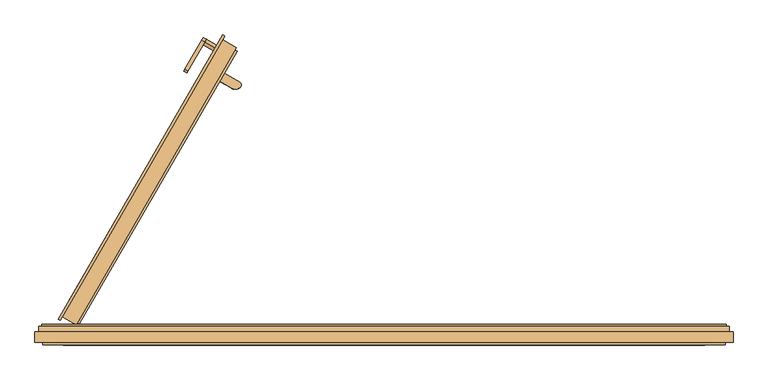
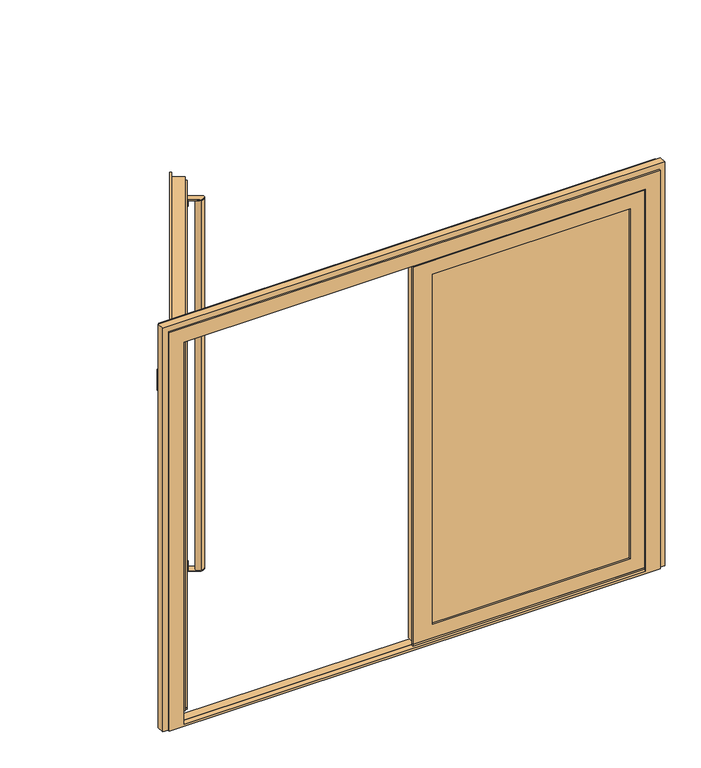
"""IFC4 building model written with IfcOpenShell, lengths in millimetres: door geometry."""

import ifcopenshell
import ifcopenshell.guid

model = None  # the IFC model being written
_history = None  # IfcOwnerHistory: only IFC2X3 demands one
_inside = {}  # id of a spatial element -> (the spatial element, [elements in it])
_under = {}  # id of a project, library or spatial element -> (it, [spatial elements below it])
_declared = {}  # id of a project -> (the project, [libraries it declares])
_typed = {}  # id of a type object -> (the type object, [elements of that type])
_made_of = {}  # id of a material, layer set ... -> (it, [elements and type objects made of it])


def new_model(schema):
    """Start an empty IFC model of exactly this schema.

    Asked for "IFC4X3", IfcOpenShell would pick the latest addendum, in which some entities
    have other attributes; the version numbers below select the first issue.
    IFC2X3 requires an IfcOwnerHistory on every rooted entity: one is made here for all.
    """
    global model, _history
    if schema == "IFC4X3":
        model = ifcopenshell.file(schema_version=(4, 3, 0, 0))
    else:
        model = ifcopenshell.file(schema=schema)
    _inside.clear()
    _under.clear()
    _declared.clear()
    _typed.clear()
    _made_of.clear()
    _history = None
    if model.schema == "IFC2X3":
        org = make("IfcOrganization", Name="unknown")
        user = make(
            "IfcPersonAndOrganization",
            ThePerson=make("IfcPerson", FamilyName="unknown"),
            TheOrganization=org,
        )
        app = make(
            "IfcApplication",
            ApplicationDeveloper=org,
            Version="unknown",
            ApplicationFullName="unknown",
            ApplicationIdentifier="unknown",
        )
        _history = make(
            "IfcOwnerHistory",
            OwningUser=user,
            OwningApplication=app,
            ChangeAction="ADDED",
            CreationDate=0,
        )
    return model


def make(cls, **values):
    """One entity of the class cls with the attributes given. An attribute that is None is left unset."""
    return model.create_entity(
        cls, **{name: value for name, value in values.items() if value is not None}
    )


def rooted(cls, **values):
    """An entity with a GlobalId (a new one), such as an element, a storey or a relation."""
    return make(cls, GlobalId=ifcopenshell.guid.new(), OwnerHistory=_history, **values)


def si_unit(unit_type, name, prefix=None):
    """IfcSIUnit, for example si_unit("LENGTHUNIT", "METRE", prefix="MILLI")."""
    return make("IfcSIUnit", UnitType=unit_type, Prefix=prefix, Name=name)


def assignment(units):
    """IfcUnitAssignment: the units of a project."""
    return None if units is None else make("IfcUnitAssignment", Units=units)


def point(xyz):
    """IfcCartesianPoint."""
    return None if xyz is None else make("IfcCartesianPoint", Coordinates=xyz)


def direction(xyz):
    """IfcDirection."""
    return None if xyz is None else make("IfcDirection", DirectionRatios=xyz)


def frame(location, z_axis=None, x_axis=None):
    """IfcAxis2Placement3D, a coordinate frame: its origin and axes. An axis left out is left unset."""
    return make(
        "IfcAxis2Placement3D",
        Location=point(location),
        Axis=direction(z_axis),
        RefDirection=direction(x_axis),
    )


def frame_2d(location, x_axis=None):
    """IfcAxis2Placement2D, a coordinate frame in the plane: its origin and x axis."""
    return make(
        "IfcAxis2Placement2D", Location=point(location), RefDirection=direction(x_axis)
    )


def origin():
    """The frame at (0, 0, 0) with its axes left unset."""
    return frame((0.0, 0.0, 0.0))


def place(relative_to, where):
    """IfcLocalPlacement: puts the frame where relative to a parent placement (None: the world)."""
    return make(
        "IfcLocalPlacement", PlacementRelTo=relative_to, RelativePlacement=where
    )


def context(
    kind, dimensions, precision=None, world=None, true_north=None, identifier=None
):
    """IfcGeometricRepresentationContext, for example the 3D "Model" context."""
    return make(
        "IfcGeometricRepresentationContext",
        ContextIdentifier=identifier,
        ContextType=kind,
        CoordinateSpaceDimension=dimensions,
        Precision=precision,
        WorldCoordinateSystem=world,
        TrueNorth=true_north,
    )


def project(units=None, contexts=None):
    """IfcProject with its units and contexts."""
    return rooted(
        "IfcProject",
        Name="project",
        RepresentationContexts=contexts,
        UnitsInContext=assignment(units),
    )


def spatial(cls, under=None, at=None, **own):
    """A site, building, storey or space (cls), placed at a placement, below another one or the project."""
    s = rooted(cls, ObjectPlacement=at, **own)
    if under is not None:
        _under.setdefault(under.id(), (under, []))[1].append(s)
    return s


def polyline(points):
    """IfcPolyline through the points."""
    return make("IfcPolyline", Points=[point(p) for p in points])


def circle_curve(where, radius):
    """IfcCircle in the frame where."""
    return make("IfcCircle", Position=where, Radius=radius)


def ellipse_curve(where, semi_axis1, semi_axis2):
    """IfcEllipse in the frame where."""
    return make(
        "IfcEllipse", Position=where, SemiAxis1=semi_axis1, SemiAxis2=semi_axis2
    )


def trimmed(basis, trim1, trim2, sense, master):
    """IfcTrimmedCurve: the piece of a basis curve between two trims."""
    return make(
        "IfcTrimmedCurve",
        BasisCurve=basis,
        Trim1=trim1,
        Trim2=trim2,
        SenseAgreement=sense,
        MasterRepresentation=master,
    )


def segment(curve, same_sense, transition):
    """IfcCompositeCurveSegment."""
    return make(
        "IfcCompositeCurveSegment",
        Transition=transition,
        SameSense=same_sense,
        ParentCurve=curve,
    )


def composite_curve(segments, self_intersect=None):
    """IfcCompositeCurve: segments joined end to end."""
    return make("IfcCompositeCurve", Segments=segments, SelfIntersect=self_intersect)


def outline(outer, holes=None, kind="AREA"):
    """IfcArbitraryClosedProfileDef: a profile drawn as a closed curve; with holes, ...WithVoids."""
    if holes is None:
        return make("IfcArbitraryClosedProfileDef", ProfileType=kind, OuterCurve=outer)
    return make(
        "IfcArbitraryProfileDefWithVoids",
        ProfileType=kind,
        OuterCurve=outer,
        InnerCurves=holes,
    )


def extrude(swept, where, along, depth):
    """IfcExtrudedAreaSolid: the profile swept, set in the frame where, extruded along a direction by depth."""
    return make(
        "IfcExtrudedAreaSolid",
        SweptArea=swept,
        Position=where,
        ExtrudedDirection=direction(along),
        Depth=depth,
    )


def faces_of(points, faces, orient=None, outer=None):
    """IfcFace entities. A face is a list of loops; a loop is a list of indices into points, from 0.

    orient and outer hold one flag for each loop. By default every Orientation is true, the
    first loop of a face is its IfcFaceOuterBound and the others are IfcFaceBound.
    """
    made = []
    for i, loops in enumerate(faces):
        bounds = []
        for j, loop in enumerate(loops):
            is_outer = j == 0 if outer is None else outer[i][j]
            bounds.append(
                make(
                    "IfcFaceOuterBound" if is_outer else "IfcFaceBound",
                    Bound=make("IfcPolyLoop", Polygon=[points[k] for k in loop]),
                    Orientation=True if orient is None else orient[i][j],
                )
            )
        made.append(make("IfcFace", Bounds=bounds))
    return made


def faceted_brep(points, faces, orient=None, outer=None, voids=None):
    """IfcFacetedBrep: a solid bounded by flat faces; with voids (closed shells), ...WithVoids."""
    shared = [point(p) for p in points]
    hull = make("IfcClosedShell", CfsFaces=faces_of(shared, faces, orient, outer))
    if voids is None:
        return make("IfcFacetedBrep", Outer=hull)
    return make(
        "IfcFacetedBrepWithVoids",
        Outer=hull,
        Voids=[
            make(cls, CfsFaces=faces_of(shared, fs, o, b)) for cls, fs, o, b in voids
        ],
    )


def shape(context_of_items, identifier, shape_type, items):
    """IfcShapeRepresentation: the items that make up one representation, for example the "Body"."""
    return make(
        "IfcShapeRepresentation",
        ContextOfItems=context_of_items,
        RepresentationIdentifier=identifier,
        RepresentationType=shape_type,
        Items=items,
    )


def source(mapping_origin, context_of_items, identifier, shape_type, items):
    """IfcRepresentationMap: a shape defined once, which mapped items show again and again."""
    return make(
        "IfcRepresentationMap",
        MappingOrigin=mapping_origin,
        MappedRepresentation=shape(context_of_items, identifier, shape_type, items),
    )


def transform(
    local_origin,
    x_axis=None,
    y_axis=None,
    z_axis=None,
    scale=None,
    scale2=None,
    scale3=None,
    uniform=True,
):
    """IfcCartesianTransformationOperator3D, or its non-uniform kind. x_axis, y_axis, z_axis: its Axis1, 2, 3."""
    if uniform:
        return make(
            "IfcCartesianTransformationOperator3D",
            Axis1=direction(x_axis),
            Axis2=direction(y_axis),
            LocalOrigin=point(local_origin),
            Scale=scale,
            Axis3=direction(z_axis),
        )
    return make(
        "IfcCartesianTransformationOperator3DnonUniform",
        Axis1=direction(x_axis),
        Axis2=direction(y_axis),
        LocalOrigin=point(local_origin),
        Scale=scale,
        Axis3=direction(z_axis),
        Scale2=scale2,
        Scale3=scale3,
    )


def mapped(mapping_source, mapping_target):
    """IfcMappedItem: shows the shape of a source again, moved by a transform."""
    return make(
        "IfcMappedItem", MappingSource=mapping_source, MappingTarget=mapping_target
    )


def made_of(thing, what):
    """Note that an element or type object is made of a material, layer set ...; save() writes the relation."""
    if what is not None:
        _made_of.setdefault(what.id(), (what, []))[1].append(thing)
    return thing


def element(
    cls,
    number,
    at=None,
    inside=None,
    cuts=None,
    type_object=None,
    material=None,
    context=None,
    identifier="Body",
    shape_type=None,
    held_by="IfcProductDefinitionShape",
    body=None,
    shapes=None,
    **own,
):
    """One element of the class cls, such as IfcWall. Its Tag is "e" and its number.

    at: its placement. inside: the storey or other place that contains it. cuts: it is an
    opening in that element (IfcRelVoidsElement). A single representation is given by context,
    identifier, shape_type and body (its items); several are given by shapes. held_by: the class
    of the entity that holds the representations. save() writes the other relations.
    """
    e = rooted(cls, Tag="e%d" % number, ObjectPlacement=at, **own)
    if body is not None:
        shapes = [shape(context, identifier, shape_type, body)]
    if shapes is not None:
        e.Representation = make(held_by, Representations=shapes)
    if inside is not None:
        _inside.setdefault(inside.id(), (inside, []))[1].append(e)
    if cuts is not None:
        rooted(
            "IfcRelVoidsElement", RelatingBuildingElement=cuts, RelatedOpeningElement=e
        )
    if type_object is not None:
        _typed.setdefault(type_object.id(), (type_object, []))[1].append(e)
    return made_of(e, material)


def aggregate(whole, parts):
    """IfcRelAggregates: a whole, such as a stair, and the parts it consists of."""
    return rooted("IfcRelAggregates", RelatingObject=whole, RelatedObjects=parts)


def save(model, path):
    """Write the relations noted so far, then the file.

    IfcRelAggregates (storeys below a building ...), IfcRelContainedInSpatialStructure (elements
    in a storey), IfcRelDefinesByType, IfcRelAssociatesMaterial and IfcRelDeclares: one each for
    every whole, place, type object, material and project.
    """
    for whole, parts in _under.values():
        aggregate(whole, parts)
    for where, things in _inside.values():
        rooted(
            "IfcRelContainedInSpatialStructure",
            RelatedElements=things,
            RelatingStructure=where,
        )
    for kind, things in _typed.values():
        rooted("IfcRelDefinesByType", RelatedObjects=things, RelatingType=kind)
    for what, things in _made_of.values():
        rooted("IfcRelAssociatesMaterial", RelatedObjects=things, RelatingMaterial=what)
    for by, libraries in _declared.values():
        rooted("IfcRelDeclares", RelatingContext=by, RelatedDefinitions=libraries)
    model.write(path)


def plane_surface(at):
    """IfcPlane: the flat surface through the origin of the frame at, square to its z axis."""
    return make("IfcPlane", Position=at)


def cylinder_surface(at, radius):
    """IfcCylindricalSurface: all points at the distance radius from the z axis of the frame at."""
    return make("IfcCylindricalSurface", Position=at, Radius=radius)


def extruded_surface(curve, direction_of_extrusion, depth):
    """IfcSurfaceOfLinearExtrusion: the curve pushed along a direction by depth."""
    return make(
        "IfcSurfaceOfLinearExtrusion",
        SweptCurve=make("IfcArbitraryOpenProfileDef", ProfileType="CURVE", Curve=curve),
        ExtrudedDirection=direction(direction_of_extrusion),
        Depth=depth,
    )


def advanced_brep(points, edges, surfaces, faces):
    """IfcAdvancedBrep: a solid bounded by faces that lie on surfaces and meet in shared edges.

    An edge is (start, end): straight between two places in points (the first is 0);
    or (start, end, curve); or (start, end, curve, False) where it runs against its curve.
    A face is (place in surfaces, loops), or (place, loops, False) where it looks against
    its surface's normal. A loop lists edges by number (the first is 1), with a minus sign
    where the edge is run from its end to its start. The first loop is the outer one.
    """
    corners = [point(p) for p in points]
    vertices = [make("IfcVertexPoint", VertexGeometry=c) for c in corners]
    made = []
    for start, end, *more in edges:
        made.append(
            make(
                "IfcEdgeCurve",
                EdgeStart=vertices[start],
                EdgeEnd=vertices[end],
                EdgeGeometry=more[0] if more else make("IfcPolyline", Points=[corners[start], corners[end]]),
                SameSense=more[1] if len(more) > 1 else True,
            )
        )
    hull = []
    for where, loops, *sense in faces:
        bounds = []
        for j, loop in enumerate(loops):
            ring = [make("IfcOrientedEdge", EdgeElement=made[abs(k) - 1], Orientation=k > 0) for k in loop]
            bounds.append(
                make(
                    "IfcFaceOuterBound" if j == 0 else "IfcFaceBound",
                    Bound=make("IfcEdgeLoop", EdgeList=ring),
                    Orientation=True,
                )
            )
        hull.append(make("IfcAdvancedFace", Bounds=bounds, FaceSurface=surfaces[where], SameSense=sense[0] if sense else True))
    return make("IfcAdvancedBrep", Outer=make("IfcClosedShell", CfsFaces=hull))


def door_9c806f69(model_context):
    return source(origin(), model_context, "Body", "SolidModel", [
        extrude(outline(composite_curve([segment(polyline([(-597.0073569, 948.5712524), (-580.3379992, 977.4434269), (-524.2790365, 945.0777697)]), True, "CONTINUOUS"), segment(trimmed(circle_curve(frame_2d((-530.0889827, 935.0146477)), 11.6198924), [point((-524.2790365, 945.0777697))], [point((-522.7045217, 926.0429346))], False, "CARTESIAN"), True, "CONTINUOUS"), segment(trimmed(circle_curve(frame_2d((-539.9764514, 947.0273773)), 27.1784177), [point((-522.7045217, 926.0429346))], [point((-553.5656602, 923.4901772))], False, "CARTESIAN"), True, "CONTINUOUS"), segment(polyline([(-553.5656602, 923.4901772), (-597.0073569, 948.5712524)]), True, "CONTINUOUS")], self_intersect=False)), frame((0.0, 0.0, 2023.9218203), z_axis=(0.0, 0.0, 1.0), x_axis=(1.0, 0.0, 0.0)), (0.0, 0.0, 1.0), 4.0),
        extrude(outline(polyline([(-593.5432553, 946.5712524), (-597.0073569, 948.5712524), (-580.3379992, 977.4434269), (-576.8738975, 975.4434269), (-593.5432553, 946.5712524)])), frame((0.0, 0.0, 1993.9218203), z_axis=(0.0, 0.0, 1.0), x_axis=(1.0, 0.0, 0.0)), (0.0, 0.0, 1.0), 30.0),
        extrude(outline(polyline([(-593.5432553, 946.5712524), (-597.0073569, 948.5712524), (-580.3379992, 977.4434269), (-576.8738975, 975.4434269), (-593.5432553, 946.5712524)])), frame((0.0, 0.0, 49.9218203), z_axis=(0.0, 0.0, 1.0), x_axis=(1.0, 0.0, 0.0)), (0.0, 0.0, 1.0), 30.0),
        extrude(outline(composite_curve([segment(polyline([(-597.0073569, 948.5712524), (-580.3379992, 977.4434269), (-524.2790365, 945.0777697)]), True, "CONTINUOUS"), segment(trimmed(circle_curve(frame_2d((-530.0889827, 935.0146477)), 11.6198924), [point((-524.2790365, 945.0777697))], [point((-522.7045217, 926.0429346))], False, "CARTESIAN"), True, "CONTINUOUS"), segment(trimmed(circle_curve(frame_2d((-539.9764514, 947.0273773)), 27.1784177), [point((-522.7045217, 926.0429346))], [point((-553.5656602, 923.4901772))], False, "CARTESIAN"), True, "CONTINUOUS"), segment(polyline([(-553.5656602, 923.4901772), (-597.0073569, 948.5712524)]), True, "CONTINUOUS")], self_intersect=False)), frame((0.0, 0.0, 45.9218203), z_axis=(0.0, 0.0, 1.0), x_axis=(1.0, 0.0, 0.0)), (0.0, 0.0, 1.0), 4.0),
        advanced_brep(
        [(-540.2280544, 949.7198889, 2023.9218203), (-540.2280456, 920.3510547, 2023.9218203), (-540.2280544, 949.7198889, 49.9218203), (-540.2280456, 920.3510547, 49.9218203)],
        [
            (0, 1, ellipse_curve(frame((-540.22805, 935.0354718, 2023.9218203), z_axis=(0.0, 0.0, 1.0000000000000002), x_axis=(0.9999999999999556, 2.9821979369293317e-07, 0.0)), 21.5840887, 14.6844171)),
            (1, 0, ellipse_curve(frame((-540.22805, 935.0354718, 2023.9218203), z_axis=(0.0, 0.0, 1.0000000000000002), x_axis=(0.9999999999999556, 2.9821979369293317e-07, 0.0)), 21.5840887, 14.6844171)),
            (2, 3, ellipse_curve(frame((-540.22805, 935.0354718, 49.9218203), z_axis=(0.0, 0.0, -1.0000000000000002), x_axis=(2.9821979369293317e-07, -0.9999999999999556, 0.0)), 14.6844171, 21.5840887)),
            (3, 2, ellipse_curve(frame((-540.22805, 935.0354718, 49.9218203), z_axis=(0.0, 0.0, -1.0000000000000002), x_axis=(2.9821979369293317e-07, -0.9999999999999556, 0.0)), 14.6844171, 21.5840887)),
            (1, 3),
            (2, 0),
        ],
        [
            plane_surface(frame((-540.2280456, 920.3510547, 2023.9218203), z_axis=(0.0, 0.0, 1.0000000000000002), x_axis=(0.9999999999999556, 2.9821979369293317e-07, 0.0))),
            plane_surface(frame((-540.2280456, 920.3510547, 49.9218203), z_axis=(0.0, 0.0, -1.0000000000000002), x_axis=(-0.9999999999999556, -2.9821979369293317e-07, 0.0))),
            extruded_surface(trimmed(ellipse_curve(frame((-540.22805, 935.0354718, -1924.0781797), z_axis=(0.0, 0.0, 1.0000000000000002), x_axis=(2.9821979369293317e-07, -0.9999999999999556, 0.0)), 14.6844171, 21.5840887), [point((-540.2280456, 920.3510547, -1924.0781797))], [point((-540.2280544, 949.7198889, -1924.0781797))], True, "CARTESIAN"), (0.0, 0.0, 1974.0), 1974.0),
            extruded_surface(trimmed(ellipse_curve(frame((-540.22805, 935.0354718, -1924.0781797), z_axis=(0.0, 0.0, 1.0000000000000002), x_axis=(2.9821979369293317e-07, -0.9999999999999556, 0.0)), 14.6844171, 21.5840887), [point((-540.2280544, 949.7198889, -1924.0781797))], [point((-540.2280456, 920.3510547, -1924.0781797))], True, "CARTESIAN"), (0.0, 0.0, 1974.0), 1974.0),
        ],
        [
            (0, [[1, 2]]),
            (1, [[3, 4]]),
            (2, [[-2, 5, -3, 6]]),
            (3, [[-1, -6, -4, -5]]),
        ],
    ),
        advanced_brep(
        [(-662.1229966, 1097.7875951, 1030.9991882), (-722.9538929, 992.425392, 1030.9991882), (-722.9538929, 992.425392, 1054.9764498), (-662.1229966, 1097.7875951, 1054.9764498), (-651.2976037, 1091.5375516, 1054.9764498), (-712.1285, 986.1753485, 1054.9764498), (-712.1285, 986.1753485, 1030.9991882), (-651.2976037, 1091.5375516, 1030.9991882), (-613.6256004, 1069.7876104, 1030.9991882), (-613.6256004, 1069.7876104, 1054.9764498)],
        [
            (0, 1),
            (1, 2, ellipse_curve(frame((-722.9538929, 992.425392, 1042.987819), z_axis=(-0.8660254037844367, 0.5000000000000034, 0.0), x_axis=(0.0, 0.0, -1.0)), 11.9886308, 7.9050795)),
            (2, 3),
            (3, 0, circle_curve(frame((-662.1229966, 1097.7875951, 1042.987819), z_axis=(-0.8660254037844367, 0.5000000000000034, 0.0), x_axis=(0.0, 0.0, 1.0)), 11.9886308)),
            (4, 5),
            (5, 6, ellipse_curve(frame((-712.1285, 986.1753485, 1042.987819), z_axis=(0.8660254037844367, -0.5000000000000034, 0.0), x_axis=(0.0, 0.0, -1.0)), 11.9886308, 7.9050795)),
            (6, 7),
            (7, 4, circle_curve(frame((-651.2976037, 1091.5375516, 1042.987819), z_axis=(-0.8660254037844367, 0.5000000000000034, 0.0), x_axis=(0.0, 0.0, 1.0)), 11.9886308)),
            (0, 7),
            (6, 1),
            (5, 2),
            (4, 3),
            (4, 7, circle_curve(frame((-651.2976037, 1091.5375516, 1042.987819), z_axis=(-0.8660254037844367, 0.5000000000000034, 0.0), x_axis=(0.0, 0.0, 1.0)), 11.9886308)),
            (8, 9, circle_curve(frame((-613.6256004, 1069.7876104, 1042.987819), z_axis=(0.8660254037844367, -0.5000000000000034, 0.0), x_axis=(0.0, 0.0, 1.0)), 11.9886308)),
            (9, 8, circle_curve(frame((-613.6256004, 1069.7876104, 1042.987819), z_axis=(0.8660254037844367, -0.5000000000000034, 0.0), x_axis=(0.0, 0.0, 1.0)), 11.9886308)),
            (9, 4),
            (7, 8),
        ],
        [
            plane_surface(frame((-722.9538929, 992.425392, 1030.9991882), z_axis=(-0.8660254037844367, 0.5000000000000034, 0.0), x_axis=(-0.5000000000000034, -0.8660254037844367, 0.0))),
            plane_surface(frame((-712.1285, 986.1753485, 1030.9991882), z_axis=(0.8660254037844367, -0.5000000000000034, 0.0), x_axis=(0.5000000000000034, 0.8660254037844367, 0.0))),
            plane_surface(frame((-662.1229966, 1097.7875951, 1030.9991882), z_axis=(0.0, 0.0, -1.0), x_axis=(0.8660254037844367, -0.5000000000000034, 0.0))),
            extruded_surface(trimmed(ellipse_curve(frame((-701.3031071, 979.925305, 1042.987819), z_axis=(-0.8660254037844367, 0.5000000000000034, 0.0), x_axis=(0.0, 0.0, -1.0)), 11.9886308, 7.9050795), [point((-701.3031071, 979.925305, 1030.9991882))], [point((-701.3031071, 979.925305, 1054.9764498))], True, "CARTESIAN"), (-10.825392899999997, 6.250043500000061, 0.0), 12.500087007347723),
            plane_surface(frame((-722.9538929, 992.425392, 1054.9764498), z_axis=(0.0, 0.0, 1.0), x_axis=(0.8660254037844367, -0.5000000000000034, 0.0))),
            cylinder_surface(frame((-651.2976037, 1091.5375516, 1042.987819), z_axis=(-0.8660254037844367, 0.5000000000000034, 0.0), x_axis=(0.0, 0.0, 1.0)), 11.9886308),
            plane_surface(frame((-613.6256004, 1069.7876104, 1054.9764498), z_axis=(0.8660254037844367, -0.5000000000000034, 0.0), x_axis=(-0.5000000000000034, -0.8660254037844367, 0.0))),
            cylinder_surface(frame((-613.6256004, 1069.7876104, 1042.987819), z_axis=(-0.8660254037844367, 0.5000000000000034, 0.0), x_axis=(0.0, 0.0, 1.0)), 11.9886308),
        ],
        [
            (0, [[1, 2, 3, 4]]),
            (1, [[5, 6, 7, 8]]),
            (2, [[-1, 9, -7, 10]]),
            (3, [[-2, -10, -6, 11]]),
            (4, [[-3, -11, -5, 12]]),
            (5, [[-4, -12, 13, -9]]),
            (6, [[14, 15]]),
            (7, [[-15, 16, -8, 17]]),
            (7, [[-14, -17, -13, -16]]),
        ],
    ),
        extrude(outline(polyline([(1894.1303497, 22.0016478), (1894.1303497, -1026.7017782), (-22.0016478, -1026.7017782), (-22.0016478, 22.0016478), (1894.1303497, 22.0016478)]), holes=[polyline([(1872.1287019, -1004.7001304), (1872.1287019, 0.0), (0.0, 0.0), (0.0, -1004.7001304), (1872.1287019, -1004.7001304)])]), frame((-1103.0342803, 146.1063465, 1975.05217), z_axis=(-0.8660254037844399, 0.4999999999999979, 0.0), x_axis=(0.0, 0.0, -1.0)), (0.0, 0.0, 1.0), 38.0002823),
        faceted_brep([(-1183.4113146, 82.8898039, 2069.987819), (-1183.4113146, 82.8898039, 7.987819), (-1176.0498599, 78.639666, 7.987819), (-1176.0498599, 78.639666, 2069.987819), (-586.1256004, 1117.4190076, 7.987819), (-578.7641456, 1113.1688697, 7.987819), (-578.7641456, 1113.1688697, 2069.987819), (-586.2311463, 1100.2356452, 22.9218203), (-1168.5828593, 91.5728905, 22.9218203), (-1168.5828593, 91.5728905, 2055.0538178), (-586.2311463, 1100.2356452, 2055.0538178), (-586.1256004, 1117.4190076, 2069.987819), (-1146.944314, 146.0525018, 80.9218203), (-622.592601, 1054.2563097, 80.9218203), (-622.592601, 1054.2563097, 1997.0538178), (-1146.944314, 146.0525018, 1997.0538178), (-1089.7863929, 113.0523606, 1997.0538178), (-1089.7863929, 113.0523606, 80.9218203), (-565.4346799, 1021.2561685, 80.9218203), (-565.4346799, 1021.2561685, 1997.0538178), (-1077.2863929, 134.7029957, 105.9218203), (-577.9346799, 999.6055334, 105.9218203), (-577.9346799, 999.6055334, 1972.0538178), (-1077.2863929, 134.7029957, 1972.0538178), (-1069.4924087, 130.2031368, 1972.0538178), (-1069.4924087, 130.2031368, 105.9218203), (-570.1406957, 995.1056746, 105.9218203), (-570.1406957, 995.1056746, 1972.0538178), (-1105.9924087, 66.9832824, 32.9218203), (-533.6406957, 1058.3255291, 32.9218203), (-533.6406957, 1058.3255291, 2045.0538178), (-1105.9924087, 66.9832824, 2045.0538178), (-1113.3535878, 71.2332611, 2045.0538178), (-1113.3535878, 71.2332611, 32.9218203), (-541.0018748, 1062.5755078, 32.9218203), (-541.0018748, 1062.5755078, 2045.0538178), (-1118.3535878, 62.573007, 22.9218203), (-536.0018748, 1071.2357618, 22.9218203), (-536.0018748, 1071.2357618, 2055.0538178), (-1118.3535878, 62.573007, 2055.0538178)], [[[0, 1, 2, 3]], [[1, 4, 5, 2]], [[2, 5, 6, 3], [7, 8, 9, 10]], [[4, 11, 6, 5]], [[4, 1, 0, 11], [12, 13, 14, 15]], [[16, 17, 12, 15]], [[17, 18, 13, 12]], [[18, 19, 14, 13]], [[18, 17, 16, 19], [20, 21, 22, 23]], [[24, 25, 20, 23]], [[25, 26, 21, 20]], [[26, 27, 22, 21]], [[28, 29, 30, 31], [26, 25, 24, 27]], [[32, 33, 28, 31]], [[33, 34, 29, 28]], [[34, 35, 30, 29]], [[36, 37, 38, 39], [34, 33, 32, 35]], [[9, 8, 36, 39]], [[8, 7, 37, 36]], [[7, 10, 38, 37]], [[11, 0, 3, 6]], [[19, 16, 15, 14]], [[27, 24, 23, 22]], [[35, 32, 31, 30]], [[10, 9, 39, 38]]]),
        extrude(outline(polyline([(-589.6833912, 1035.2561685), (-565.4346799, 1021.2561685), (-1089.7863929, 113.0523606), (-1114.0351042, 127.0523606), (-589.6833912, 1035.2561685)])), frame((0.0, 0.0, 80.9218203), z_axis=(0.0, 0.0, 1.0), x_axis=(1.0, 0.0, 0.0)), (0.0, 0.0, 1.0), 1916.1319975),
        extrude(outline(polyline([(-1113.3535878, 71.2332611), (-541.0018748, 1062.5755078), (-533.6406957, 1058.3255291), (-1105.9924087, 66.9832824), (-1113.3535878, 71.2332611)])), frame((0.0, 0.0, 22.9218203), z_axis=(0.0, 0.0, 1.0), x_axis=(1.0, 0.0, 0.0)), (0.0, 0.0, 1.0), 10.0),
        extrude(outline(polyline([(63.0396233, -1.1008595), (63.0396233, 26.8991405), (1111.631953, 26.8991405), (1111.631953, -1.1008595), (63.0396233, -1.1008595)])), frame((0.0, 0.0, 80.9614436), z_axis=(0.0, 0.0, 1.0), x_axis=(1.0, 0.0, 0.0)), (0.0, 0.0, 1.0), 1916.099081),
        extrude(outline(polyline([(80.9614436, 63.0396233), (80.9614436, 1111.631953), (1997.0605245, 1111.631953), (1997.0605245, 63.0396233), (80.9614436, 63.0396233)]), holes=[polyline([(102.9630913, 1089.6303052), (102.9630913, 85.0412711), (1975.0588767, 85.0412711), (1975.0588767, 1089.6303052), (102.9630913, 1089.6303052)])]), frame((0.0, 26.8991405, 0.0), z_axis=(0.0, 1.0, 0.0), x_axis=(0.0, 0.0, 1.0)), (0.0, 0.0, 1.0), 38.0002823),
        faceted_brep([(1086.631953, -10.1005772, 105.9614436), (1086.631953, -10.1005772, 1972.0605245), (1086.631953, -1.1008595, 1972.0605245), (1086.631953, -1.1008595, 105.9614436), (88.0396233, -1.1008595, 105.9614436), (88.0396233, -10.1005772, 105.9614436), (1159.631953, -10.1005772, 32.9614436), (1159.631953, -10.1005772, 2045.0605245), (-10.0, -10.1005772, 2045.0605245), (-10.0, -10.1005772, 32.9614436), (88.0396233, -10.1005772, 1972.0605245), (88.0396233, -1.1008595, 1972.0605245), (63.0396233, -1.1008595, 80.9614436), (63.0396233, -1.1008595, 1997.0605245), (1111.631953, -1.1008595, 1997.0605245), (1111.631953, -1.1008595, 80.9614436), (1111.631953, 64.8994228, 1997.0605245), (1111.631953, 64.8994228, 80.9614436), (63.0396233, 64.8994228, 80.9614436), (63.0396233, 64.8994228, 1997.0605245), (1184.5659543, 64.8994228, 8.0274423), (15.000264, 64.8994228, 8.0274423), (15.000264, 64.8994228, 2069.9945258), (1184.5659543, 64.8994228, 2069.9945258), (1184.5659543, 56.3991471, 2069.9945258), (1184.5659543, 56.3991471, 8.0274423), (15.000264, 56.3991471, 8.0274423), (15.000264, 56.3991471, 2055.0605245), (15.000264, 56.3991471, 2069.9945258), (15.000264, 56.3991471, 22.9614436), (1169.631953, 56.3991471, 2055.0605245), (1169.631953, 56.3991471, 22.9614436), (1169.631953, -1.6006198, 2055.0605245), (1169.631953, -1.6006198, 22.9614436), (5.0396233, -1.6006198, 22.9614436), (5.0396233, 56.3991471, 22.9614436), (5.0396233, 56.3994228, 2055.0605245), (5.0396233, -1.6006198, 32.9614436), (5.0396233, -1.6006198, 2045.0605245), (5.0396233, -1.6006198, 2055.0605245), (1159.631953, -1.6006198, 2045.0605245), (1159.631953, -1.6006198, 32.9614436), (-10.0, -1.6006198, 32.9614436), (-10.0, -1.6006198, 2045.0605245)], [[[0, 1, 2, 3]], [[3, 4, 5, 0]], [[6, 7, 8, 9], [5, 10, 1, 0]], [[4, 11, 10, 5]], [[12, 13, 14, 15], [3, 2, 11, 4]], [[15, 14, 16, 17]], [[17, 18, 12, 15]], [[18, 19, 13, 12]], [[20, 21, 22, 23], [17, 16, 19, 18]], [[20, 23, 24, 25]], [[25, 26, 21, 20]], [[27, 28, 22, 21, 26, 29]], [[24, 28, 27, 30, 31, 29, 26, 25]], [[31, 30, 32, 33]], [[33, 34, 35, 29, 31]], [[29, 35, 36, 27]], [[34, 37, 38, 39, 36, 35]], [[33, 32, 39, 38, 40, 41, 37, 34]], [[41, 40, 7, 6]], [[6, 9, 42, 37, 41]], [[43, 38, 37, 42]], [[9, 8, 43, 42]], [[11, 2, 1, 10]], [[19, 16, 14, 13]], [[23, 22, 28, 24]], [[39, 32, 30, 27, 36]], [[40, 38, 43, 8, 7]]]),
        faceted_brep([(1189.5715687, 64.8994228, 2075.0001402), (1189.5715687, 64.8994228, 0.0), (1189.5715687, 56.3991471, 0.0), (1189.5715687, 56.3991471, 2075.0001402), (-1189.5715687, 56.3991471, 0.0), (-1189.5715687, 56.3991471, 2075.0001402), (-1179.5715763, 56.3991471, 14.800018), (-9.894378, 56.3991471, 14.800018), (15.000264, 56.3991471, 14.800018), (1179.5715763, 56.3991471, 14.800018), (1179.5715763, 56.3991471, 2065.0001478), (15.000264, 56.3991471, 2065.0001478), (-9.894378, 56.3991471, 2065.0001478), (-1179.5715763, 56.3991471, 2065.0001478), (1243.5715648, 64.8994228, 0.0), (1243.5715648, 58.2544623, 0.0), (1253.5714285, 58.2544623, 0.0), (1253.5714285, 38.0, 0.0), (1267.5714285, 38.0, 0.0), (1267.5714285, 0.0, 0.0), (1239.5715648, 0.0, 0.0), (1239.5715648, -10.1005772, 0.0), (-1239.5715648, -10.1005772, 0.0), (-1239.5715648, 0.0, 0.0), (-1267.5714285, 0.0, 0.0), (-1267.5714285, 38.0, 0.0), (-1253.5714285, 38.0, 0.0), (-1253.5714285, 58.2544623, 0.0), (-1243.5715648, 58.2544623, 0.0), (-1243.5715648, 64.8994228, 0.0), (-1189.5715687, 64.8994228, 0.0), (-1189.5715687, 64.8994228, 2075.0001402), (-1243.5715648, 64.8994228, 2129.0001364), (1243.5715648, 64.8994228, 2129.0001364), (-1164.5715763, -10.1005772, 2050.0001478), (-1164.5715763, -10.1005772, 12.4272786), (-1164.5715763, -1.6005772, 16.3905146), (-1164.5715763, -1.6005772, 2050.0001478), (1239.5715648, -10.1005772, 2125.0001364), (-1239.5715648, -10.1005772, 2125.0001364), (1164.5715763, -10.1005772, 2050.0001478), (1164.5715763, -10.1005772, 12.4272786), (-1179.5715763, 5.7118606, 19.8000342), (-1179.5715763, -1.6005772, 16.3905146), (1164.5715763, -1.6005772, 16.3905146), (1179.5715763, -1.6005772, 16.3905146), (1179.5715763, 5.7118606, 19.8000342), (1164.5715763, -1.6005772, 2050.0001478), (-1239.5715648, 0.0, 2125.0001364), (1239.5715648, 0.0, 2125.0001364), (-1179.5715763, -1.6005772, 2065.0001478), (1179.5715763, -1.6005772, 2065.0001478), (1179.5715763, 12.5974273, 14.800018), (1179.5715763, 7.59743, 19.8000342), (-1179.5715763, 7.59743, 19.8000342), (-1179.5715763, 12.5974273, 14.800018), (1243.5715648, 58.2544623, 2129.0001364), (-1243.5715648, 58.2544623, 2129.0001364), (1253.5714285, 38.0, 2139.0), (1253.5714285, 58.2544623, 2139.0), (-1253.5714285, 58.2544623, 2139.0), (-1267.5714285, 38.0, 2153.0), (1267.5714285, 38.0, 2153.0), (-1253.5714285, 38.0, 2139.0), (1267.5714285, 0.0, 2153.0), (-1267.5714285, 0.0, 2153.0)], [[[0, 1, 2, 3]], [[3, 2, 4, 5], [6, 7, 8, 9, 10, 11, 12, 13]], [[4, 2, 1, 14, 15, 16, 17, 18, 19, 20, 21, 22, 23, 24, 25, 26, 27, 28, 29, 30]], [[31, 30, 29, 32, 33, 14, 1, 0]], [[34, 35, 36, 37]], [[22, 21, 38, 39], [40, 41, 35, 34]], [[42, 43, 36, 35, 41, 44, 45, 46]], [[47, 44, 41, 40]], [[22, 39, 48, 23]], [[20, 49, 38, 21]], [[30, 31, 5, 4]], [[37, 36, 43, 50, 51, 45, 44, 47]], [[10, 9, 52, 53, 46, 45, 51]], [[50, 43, 42, 54, 55, 6, 13]], [[14, 33, 56, 15]], [[28, 57, 32, 29]], [[58, 17, 16, 59]], [[27, 60, 59, 16, 15, 56, 57, 28]], [[25, 61, 62, 18, 17, 58, 63, 26]], [[64, 19, 18, 62]], [[23, 48, 49, 20, 19, 64, 65, 24]], [[26, 63, 60, 27]], [[24, 65, 61, 25]], [[46, 53, 54, 42]], [[55, 54, 53, 52]], [[52, 9, 8, 7, 6, 55]], [[31, 0, 3, 5]], [[34, 37, 47, 40]], [[63, 58, 59, 60]], [[65, 64, 62, 61]], [[50, 13, 12, 11, 10, 51]], [[48, 39, 38, 49]], [[32, 57, 56, 33]]]),
        extrude(outline(polyline([(-10.0, -1.6006198), (1159.631953, -1.6006198), (1159.631953, -10.1005772), (-10.0, -10.1005772), (-10.0, -1.6006198)])), frame((0.0, 0.0, 22.9614436), z_axis=(0.0, 0.0, 1.0), x_axis=(1.0, 0.0, 0.0)), (0.0, 0.0, 1.0), 10.0),
    ])


if __name__ == "__main__":
    model = new_model("IFC4")
    model_context = context("Model", 3, world=origin())
    ifc_project = project(units=[si_unit("LENGTHUNIT", "METRE", prefix="MILLI")], contexts=[model_context])
    site = spatial("IfcSite", under=ifc_project)
    building = spatial("IfcBuilding", under=site)
    placement = place(None, origin())
    door_shape = door_9c806f69(model_context)
    element("IfcDoor", 1, at=placement, inside=building, context=model_context, shape_type="MappedRepresentation", body=[
        mapped(door_shape, transform((0.0, 0.0, 0.0), x_axis=(1.0, 0.0, 0.0), y_axis=(0.0, 1.0, 0.0), z_axis=(0.0, 0.0, 1.0))),
    ])
    save(model, "model.ifc")
